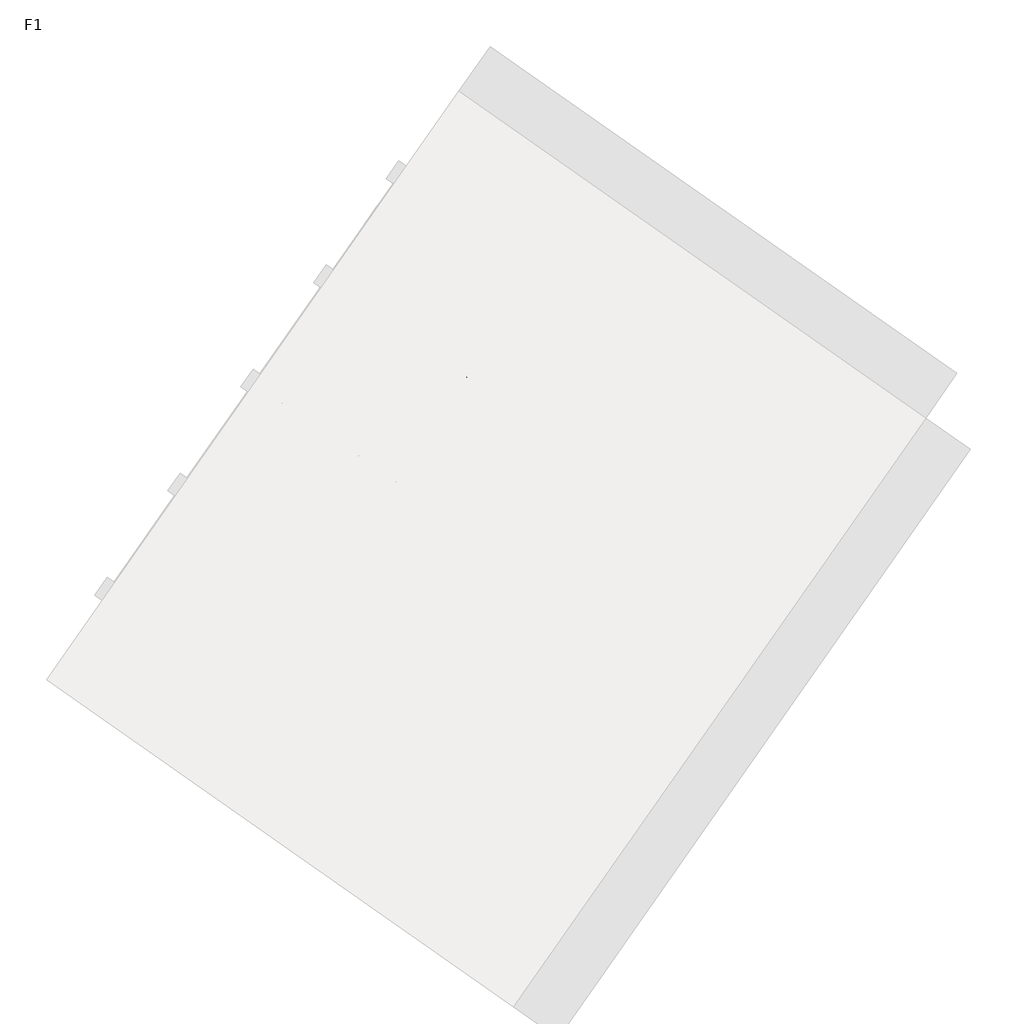
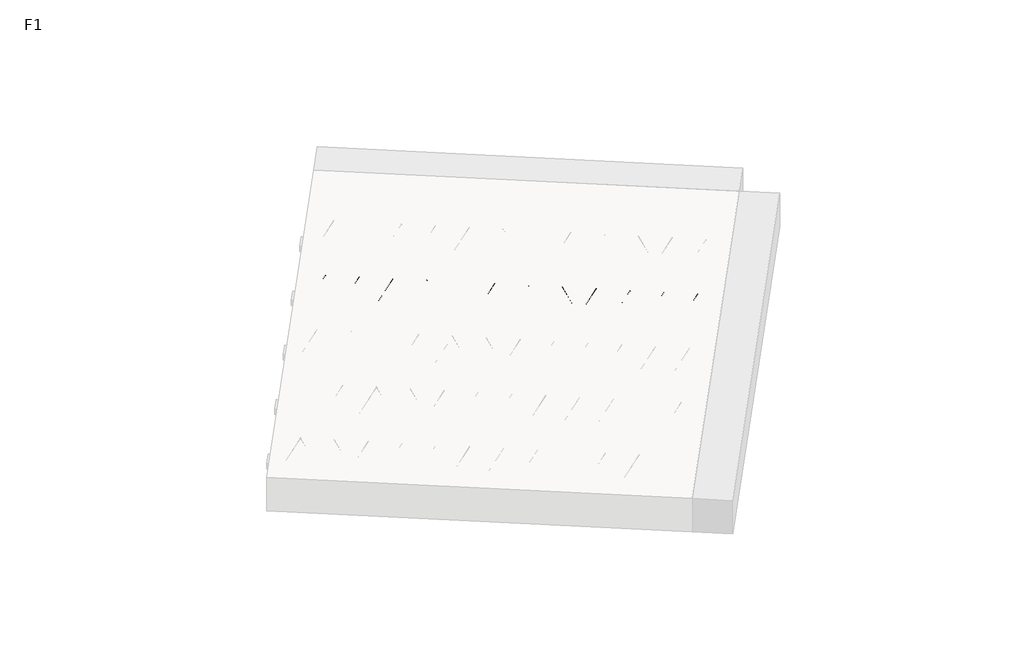
# One storey, part 25 of 30: 1 beam.
"""IFC4 building model written with IfcOpenShell, lengths in millimetres."""

from ifc_helpers import new_model, si_unit, point, frame, origin, origin_2d, place, context, project, spatial, circle_curve, trimmed, segment, composite_curve, outline, extrude, element, save

model = new_model("IFC4")

# Units and contexts
model_context = context("Model", 3, world=origin())
ifc_project = project(units=[si_unit("LENGTHUNIT", "METRE", prefix="MILLI")], contexts=[model_context])

# Site, building, storey
site = spatial("IfcSite", under=ifc_project)
building = spatial("IfcBuilding", under=site)
storey = spatial("IfcBuildingStorey", under=building, Name="F1", Elevation=99520.0)

# Beam
placement = place(None, origin())
element("IfcBeam", 1, at=placement, inside=storey, context=model_context, shape_type="SweptSolid", body=[
    extrude(outline(composite_curve([segment(trimmed(circle_curve(origin_2d(), 2.5), [point((-2.5, 0.0))], [point((2.5, 0.0))], False, "CARTESIAN"), True, "CONTINUOUS"), segment(trimmed(circle_curve(origin_2d(), 2.5), [point((2.5, 0.0))], [point((-2.5, 0.0))], False, "CARTESIAN"), True, "CONTINUOUS")], self_intersect=False)), frame((14296.2265453, 4656.4048192, 99745.0), z_axis=(-0.8191520442696126, 0.5735764363787226, 0.0), x_axis=(0.5735764363787226, 0.8191520442696126, 0.0)), (0.0, 0.0, 1.0), 3192.0),
    extrude(outline(composite_curve([segment(trimmed(circle_curve(origin_2d(), 2.5), [point((-2.5, 0.0))], [point((2.5, 0.0))], False, "CARTESIAN"), True, "CONTINUOUS"), segment(trimmed(circle_curve(origin_2d(), 2.5), [point((2.5, 0.0))], [point((-2.5, 0.0))], False, "CARTESIAN"), True, "CONTINUOUS")], self_intersect=False)), frame((14176.8002975, 4783.9758634, 99970.0), z_axis=(-0.8191520442696126, 0.5735764363787226, 0.0), x_axis=(0.5735764363787226, 0.8191520442696126, 0.0)), (0.0, 0.0, 1.0), 2850.0),
    extrude(outline(composite_curve([segment(trimmed(circle_curve(origin_2d(), 2.5), [point((-2.5, -1e-07))], [point((2.5, 0.0))], False, "CARTESIAN"), True, "CONTINUOUS"), segment(trimmed(circle_curve(origin_2d(), 2.5), [point((2.5, 0.0))], [point((-2.5, -1e-07))], False, "CARTESIAN"), True, "CONTINUOUS")], self_intersect=False)), frame((14217.5879491, 4711.4681571, 99745.0), z_axis=(-0.3145304735701046, 0.38933448886848654, 0.8657304643902053), x_axis=(0.7778747638402499, 0.6284193279813057, 0.0)), (0.0, 0.0, 1.0), 259.8961331),
    extrude(outline(composite_curve([segment(trimmed(circle_curve(origin_2d(), 2.5), [point((2.5000001, 0.0))], [point((-2.5, 0.0))], False, "CARTESIAN"), True, "CONTINUOUS"), segment(trimmed(circle_curve(origin_2d(), 2.5), [point((-2.5, 0.0))], [point((2.5000001, 0.0))], False, "CARTESIAN"), True, "CONTINUOUS")], self_intersect=False)), frame((14012.799938, 4854.8622662, 99745.0), z_axis=(0.47343050384693375, -0.16240172737369005, 0.8657304643902051), x_axis=(-0.3244721671091268, -0.9458952440791246, 0.0)), (0.0, 0.0, 1.0), 259.8961331),
    extrude(outline(composite_curve([segment(trimmed(circle_curve(origin_2d(), 2.5), [point((-2.5, -1e-07))], [point((2.5, 0.0))], False, "CARTESIAN"), True, "CONTINUOUS"), segment(trimmed(circle_curve(origin_2d(), 2.5), [point((2.5, 0.0))], [point((-2.5, -1e-07))], False, "CARTESIAN"), True, "CONTINUOUS")], self_intersect=False)), frame((14012.799938, 4854.8622662, 99745.0), z_axis=(-0.3145304735701046, 0.38933448886848654, 0.8657304643902053), x_axis=(0.7778747638402499, 0.6284193279813057, 0.0)), (0.0, 0.0, 1.0), 259.8961331),
    extrude(outline(composite_curve([segment(trimmed(circle_curve(origin_2d(), 2.5), [point((2.5, 0.0))], [point((-2.5000001, 0.0))], False, "CARTESIAN"), True, "CONTINUOUS"), segment(trimmed(circle_curve(origin_2d(), 2.5), [point((-2.5000001, 0.0))], [point((2.5, 0.0))], False, "CARTESIAN"), True, "CONTINUOUS")], self_intersect=False)), frame((13808.0119269, 4998.2563752, 99745.0), z_axis=(0.47343050384693375, -0.16240172737369005, 0.8657304643902051), x_axis=(-0.3244721671091268, -0.9458952440791246, 0.0)), (0.0, 0.0, 1.0), 259.8961331),
    extrude(outline(composite_curve([segment(trimmed(circle_curve(origin_2d(), 2.5), [point((-2.5, 0.0))], [point((2.5000001, 0.0))], False, "CARTESIAN"), True, "CONTINUOUS"), segment(trimmed(circle_curve(origin_2d(), 2.5), [point((2.5000001, 0.0))], [point((-2.5, 0.0))], False, "CARTESIAN"), True, "CONTINUOUS")], self_intersect=False)), frame((13808.0119269, 4998.2563752, 99745.0), z_axis=(-0.3145304735701046, 0.38933448886848654, 0.8657304643902053), x_axis=(0.7778747638402499, 0.6284193279813057, 0.0)), (0.0, 0.0, 1.0), 259.8961331),
    extrude(outline(composite_curve([segment(trimmed(circle_curve(origin_2d(), 2.5), [point((2.5, 0.0))], [point((-2.5000001, 0.0))], False, "CARTESIAN"), True, "CONTINUOUS"), segment(trimmed(circle_curve(origin_2d(), 2.5), [point((-2.5000001, 0.0))], [point((2.5, 0.0))], False, "CARTESIAN"), True, "CONTINUOUS")], self_intersect=False)), frame((13603.2239159, 5141.6504843, 99745.0), z_axis=(0.47343050384693375, -0.16240172737369005, 0.8657304643902051), x_axis=(-0.3244721671091268, -0.9458952440791246, 0.0)), (0.0, 0.0, 1.0), 259.8961331),
    extrude(outline(composite_curve([segment(trimmed(circle_curve(origin_2d(), 2.5), [point((-2.5, 0.0))], [point((2.5, 1e-07))], False, "CARTESIAN"), True, "CONTINUOUS"), segment(trimmed(circle_curve(origin_2d(), 2.5), [point((2.5, 1e-07))], [point((-2.5, 0.0))], False, "CARTESIAN"), True, "CONTINUOUS")], self_intersect=False)), frame((13603.2239159, 5141.6504843, 99745.0), z_axis=(-0.3145304735701046, 0.38933448886848654, 0.8657304643902053), x_axis=(0.7778747638402499, 0.6284193279813057, 0.0)), (0.0, 0.0, 1.0), 259.8961331),
    extrude(outline(composite_curve([segment(trimmed(circle_curve(origin_2d(), 2.5), [point((2.5, 0.0))], [point((-2.5, 0.0))], False, "CARTESIAN"), True, "CONTINUOUS"), segment(trimmed(circle_curve(origin_2d(), 2.5), [point((-2.5, 0.0))], [point((2.5, 0.0))], False, "CARTESIAN"), True, "CONTINUOUS")], self_intersect=False)), frame((13398.4359048, 5285.0445934, 99745.0), z_axis=(0.47343050384693375, -0.16240172737369005, 0.8657304643902051), x_axis=(-0.3244721671091268, -0.9458952440791246, 0.0)), (0.0, 0.0, 1.0), 259.8961331),
    extrude(outline(composite_curve([segment(trimmed(circle_curve(origin_2d(), 2.5), [point((-2.5, 0.0))], [point((2.5, 1e-07))], False, "CARTESIAN"), True, "CONTINUOUS"), segment(trimmed(circle_curve(origin_2d(), 2.5), [point((2.5, 1e-07))], [point((-2.5, 0.0))], False, "CARTESIAN"), True, "CONTINUOUS")], self_intersect=False)), frame((13398.4359048, 5285.0445934, 99745.0), z_axis=(-0.3145304735701046, 0.38933448886848654, 0.8657304643902053), x_axis=(0.7778747638402499, 0.6284193279813057, 0.0)), (0.0, 0.0, 1.0), 259.8961331),
    extrude(outline(composite_curve([segment(trimmed(circle_curve(origin_2d(), 2.5), [point((2.5, 0.0))], [point((-2.5, 1e-07))], False, "CARTESIAN"), True, "CONTINUOUS"), segment(trimmed(circle_curve(origin_2d(), 2.5), [point((-2.5, 1e-07))], [point((2.5, 0.0))], False, "CARTESIAN"), True, "CONTINUOUS")], self_intersect=False)), frame((13193.6478937, 5428.4387025, 99745.0), z_axis=(0.47343050384693375, -0.16240172737369005, 0.8657304643902051), x_axis=(-0.3244721671091268, -0.9458952440791246, 0.0)), (0.0, 0.0, 1.0), 259.8961331),
    extrude(outline(composite_curve([segment(trimmed(circle_curve(origin_2d(), 2.5), [point((-2.5, 0.0))], [point((2.5000001, 0.0))], False, "CARTESIAN"), True, "CONTINUOUS"), segment(trimmed(circle_curve(origin_2d(), 2.5), [point((2.5000001, 0.0))], [point((-2.5, 0.0))], False, "CARTESIAN"), True, "CONTINUOUS")], self_intersect=False)), frame((13193.6478937, 5428.4387025, 99745.0), z_axis=(-0.3145304735701046, 0.38933448886848654, 0.8657304643902053), x_axis=(0.7778747638402499, 0.6284193279813057, 0.0)), (0.0, 0.0, 1.0), 259.8961331),
    extrude(outline(composite_curve([segment(trimmed(circle_curve(origin_2d(), 2.5), [point((2.5, 0.0))], [point((-2.5, 0.0))], False, "CARTESIAN"), True, "CONTINUOUS"), segment(trimmed(circle_curve(origin_2d(), 2.5), [point((-2.5, 0.0))], [point((2.5, 0.0))], False, "CARTESIAN"), True, "CONTINUOUS")], self_intersect=False)), frame((12988.8598827, 5571.8328116, 99745.0), z_axis=(0.47343050384693375, -0.16240172737369005, 0.8657304643902051), x_axis=(-0.3244721671091268, -0.9458952440791246, 0.0)), (0.0, 0.0, 1.0), 259.8961331),
    extrude(outline(composite_curve([segment(trimmed(circle_curve(origin_2d(), 2.5), [point((-2.5, 0.0))], [point((2.5, 0.0))], False, "CARTESIAN"), True, "CONTINUOUS"), segment(trimmed(circle_curve(origin_2d(), 2.5), [point((2.5, 0.0))], [point((-2.5, 0.0))], False, "CARTESIAN"), True, "CONTINUOUS")], self_intersect=False)), frame((12988.8598827, 5571.8328116, 99745.0), z_axis=(-0.3145304735701046, 0.38933448886848654, 0.8657304643902053), x_axis=(0.7778747638402499, 0.6284193279813057, 0.0)), (0.0, 0.0, 1.0), 259.8961331),
    extrude(outline(composite_curve([segment(trimmed(circle_curve(origin_2d(), 2.5), [point((2.5, 0.0))], [point((-2.5, 0.0))], False, "CARTESIAN"), True, "CONTINUOUS"), segment(trimmed(circle_curve(origin_2d(), 2.5), [point((-2.5, 0.0))], [point((2.5, 0.0))], False, "CARTESIAN"), True, "CONTINUOUS")], self_intersect=False)), frame((12784.0718716, 5715.2269207, 99745.0), z_axis=(0.47343050384693375, -0.16240172737369005, 0.8657304643902051), x_axis=(-0.3244721671091268, -0.9458952440791246, 0.0)), (0.0, 0.0, 1.0), 259.8961331),
    extrude(outline(composite_curve([segment(trimmed(circle_curve(origin_2d(), 2.5), [point((-2.5, 0.0))], [point((2.5, 0.0))], False, "CARTESIAN"), True, "CONTINUOUS"), segment(trimmed(circle_curve(origin_2d(), 2.5), [point((2.5, 0.0))], [point((-2.5, 0.0))], False, "CARTESIAN"), True, "CONTINUOUS")], self_intersect=False)), frame((12784.0718716, 5715.2269207, 99745.0), z_axis=(-0.3145304735701046, 0.38933448886848654, 0.8657304643902053), x_axis=(0.7778747638402499, 0.6284193279813057, 0.0)), (0.0, 0.0, 1.0), 259.8961331),
    extrude(outline(composite_curve([segment(trimmed(circle_curve(origin_2d(), 2.5), [point((2.5, 0.0))], [point((-2.5, 1e-07))], False, "CARTESIAN"), True, "CONTINUOUS"), segment(trimmed(circle_curve(origin_2d(), 2.5), [point((-2.5, 1e-07))], [point((2.5, 0.0))], False, "CARTESIAN"), True, "CONTINUOUS")], self_intersect=False)), frame((12579.2838605, 5858.6210298, 99745.0), z_axis=(0.47343050384693375, -0.16240172737369005, 0.8657304643902051), x_axis=(-0.3244721671091268, -0.9458952440791246, 0.0)), (0.0, 0.0, 1.0), 259.8961331),
    extrude(outline(composite_curve([segment(trimmed(circle_curve(origin_2d(), 2.5), [point((-2.5, 0.0))], [point((2.5000001, -1e-07))], False, "CARTESIAN"), True, "CONTINUOUS"), segment(trimmed(circle_curve(origin_2d(), 2.5), [point((2.5000001, -1e-07))], [point((-2.5, 0.0))], False, "CARTESIAN"), True, "CONTINUOUS")], self_intersect=False)), frame((12579.2838605, 5858.6210298, 99745.0), z_axis=(-0.3145304735701046, 0.38933448886848654, 0.8657304643902053), x_axis=(0.7778747638402499, 0.6284193279813057, 0.0)), (0.0, 0.0, 1.0), 259.8961331),
    extrude(outline(composite_curve([segment(trimmed(circle_curve(origin_2d(), 2.5), [point((2.5, 0.0))], [point((-2.5, 0.0))], False, "CARTESIAN"), True, "CONTINUOUS"), segment(trimmed(circle_curve(origin_2d(), 2.5), [point((-2.5, 0.0))], [point((2.5, 0.0))], False, "CARTESIAN"), True, "CONTINUOUS")], self_intersect=False)), frame((12374.4958495, 6002.0151389, 99745.0), z_axis=(0.47343050384693375, -0.16240172737369005, 0.8657304643902051), x_axis=(-0.3244721671091268, -0.9458952440791246, 0.0)), (0.0, 0.0, 1.0), 259.8961331),
    extrude(outline(composite_curve([segment(trimmed(circle_curve(origin_2d(), 2.5), [point((-2.5, 0.0))], [point((2.5, 0.0))], False, "CARTESIAN"), True, "CONTINUOUS"), segment(trimmed(circle_curve(origin_2d(), 2.5), [point((2.5, 0.0))], [point((-2.5, 0.0))], False, "CARTESIAN"), True, "CONTINUOUS")], self_intersect=False)), frame((12374.4958495, 6002.0151389, 99745.0), z_axis=(-0.3145304735701046, 0.38933448886848654, 0.8657304643902053), x_axis=(0.7778747638402499, 0.6284193279813057, 0.0)), (0.0, 0.0, 1.0), 259.8961331),
    extrude(outline(composite_curve([segment(trimmed(circle_curve(origin_2d(), 2.5), [point((2.5, 0.0))], [point((-2.5, 0.0))], False, "CARTESIAN"), True, "CONTINUOUS"), segment(trimmed(circle_curve(origin_2d(), 2.5), [point((-2.5, 0.0))], [point((2.5, 0.0))], False, "CARTESIAN"), True, "CONTINUOUS")], self_intersect=False)), frame((12169.7078384, 6145.409248, 99745.0), z_axis=(0.47343050384693375, -0.16240172737369005, 0.8657304643902051), x_axis=(-0.3244721671091268, -0.9458952440791246, 0.0)), (0.0, 0.0, 1.0), 259.8961331),
    extrude(outline(composite_curve([segment(trimmed(circle_curve(origin_2d(), 2.5), [point((-2.5, 0.0))], [point((2.5, 0.0))], False, "CARTESIAN"), True, "CONTINUOUS"), segment(trimmed(circle_curve(origin_2d(), 2.5), [point((2.5, 0.0))], [point((-2.5, 0.0))], False, "CARTESIAN"), True, "CONTINUOUS")], self_intersect=False)), frame((12169.7078384, 6145.409248, 99745.0), z_axis=(-0.3145304735701046, 0.38933448886848654, 0.8657304643902053), x_axis=(0.7778747638402499, 0.6284193279813057, 0.0)), (0.0, 0.0, 1.0), 259.8961331),
    extrude(outline(composite_curve([segment(trimmed(circle_curve(origin_2d(), 2.5), [point((2.5, 0.0))], [point((-2.5, 1e-07))], False, "CARTESIAN"), True, "CONTINUOUS"), segment(trimmed(circle_curve(origin_2d(), 2.5), [point((-2.5, 1e-07))], [point((2.5, 0.0))], False, "CARTESIAN"), True, "CONTINUOUS")], self_intersect=False)), frame((11964.9198273, 6288.8033571, 99745.0), z_axis=(0.47343050384693375, -0.16240172737369005, 0.8657304643902051), x_axis=(-0.3244721671091268, -0.9458952440791246, 0.0)), (0.0, 0.0, 1.0), 259.8961331),
    extrude(outline(composite_curve([segment(trimmed(circle_curve(origin_2d(), 2.5), [point((-2.5, 0.0))], [point((2.5000001, -1e-07))], False, "CARTESIAN"), True, "CONTINUOUS"), segment(trimmed(circle_curve(origin_2d(), 2.5), [point((2.5000001, -1e-07))], [point((-2.5, 0.0))], False, "CARTESIAN"), True, "CONTINUOUS")], self_intersect=False)), frame((11964.9198273, 6288.8033571, 99745.0), z_axis=(-0.3145304735701046, 0.38933448886848654, 0.8657304643902053), x_axis=(0.7778747638402499, 0.6284193279813057, 0.0)), (0.0, 0.0, 1.0), 259.8961331),
    extrude(outline(composite_curve([segment(trimmed(circle_curve(origin_2d(), 2.5), [point((2.5, 0.0))], [point((-2.5, 0.0))], False, "CARTESIAN"), True, "CONTINUOUS"), segment(trimmed(circle_curve(origin_2d(), 2.5), [point((-2.5, 0.0))], [point((2.5, 0.0))], False, "CARTESIAN"), True, "CONTINUOUS")], self_intersect=False)), frame((11760.1318163, 6432.1974662, 99745.0), z_axis=(0.47343050384693375, -0.16240172737369005, 0.8657304643902051), x_axis=(-0.3244721671091268, -0.9458952440791246, 0.0)), (0.0, 0.0, 1.0), 259.8961331),
    extrude(outline(composite_curve([segment(trimmed(circle_curve(origin_2d(), 2.5), [point((-2.5000001, 0.0))], [point((2.4999999, 0.0))], False, "CARTESIAN"), True, "CONTINUOUS"), segment(trimmed(circle_curve(origin_2d(), 2.5), [point((2.4999999, 0.0))], [point((-2.5000001, 0.0))], False, "CARTESIAN"), True, "CONTINUOUS")], self_intersect=False)), frame((14337.5240488, 4715.3837664, 99745.0), z_axis=(-0.8191520442696126, 0.5735764363787226, 0.0), x_axis=(0.5735764363787226, 0.8191520442696126, 0.0)), (0.0, 0.0, 1.0), 3192.0),
    extrude(outline(composite_curve([segment(trimmed(circle_curve(origin_2d(), 2.5), [point((-2.5, 0.0))], [point((2.5000001, 0.0))], False, "CARTESIAN"), True, "CONTINUOUS"), segment(trimmed(circle_curve(origin_2d(), 2.5), [point((2.5000001, 0.0))], [point((-2.5, 0.0))], False, "CARTESIAN"), True, "CONTINUOUS")], self_intersect=False)), frame((14258.8854525, 4770.4471042, 99745.0), z_axis=(-0.47343050384693375, 0.16240172737369005, 0.8657304643902051), x_axis=(0.3244721671091268, 0.9458952440791246, 0.0)), (0.0, 0.0, 1.0), 259.8961331),
    extrude(outline(composite_curve([segment(trimmed(circle_curve(origin_2d(), 2.5), [point((2.5, 0.0))], [point((-2.5, -1e-07))], False, "CARTESIAN"), True, "CONTINUOUS"), segment(trimmed(circle_curve(origin_2d(), 2.5), [point((-2.5, -1e-07))], [point((2.5, 0.0))], False, "CARTESIAN"), True, "CONTINUOUS")], self_intersect=False)), frame((14054.0974414, 4913.8412133, 99745.0), z_axis=(0.3145304735701046, -0.38933448886848654, 0.8657304643902053), x_axis=(-0.7778747638402499, -0.6284193279813057, 0.0)), (0.0, 0.0, 1.0), 259.8961331),
    extrude(outline(composite_curve([segment(trimmed(circle_curve(origin_2d(), 2.5), [point((-2.5, 0.0))], [point((2.5000001, 0.0))], False, "CARTESIAN"), True, "CONTINUOUS"), segment(trimmed(circle_curve(origin_2d(), 2.5), [point((2.5000001, 0.0))], [point((-2.5, 0.0))], False, "CARTESIAN"), True, "CONTINUOUS")], self_intersect=False)), frame((14054.0974414, 4913.8412133, 99745.0), z_axis=(-0.47343050384693375, 0.16240172737369005, 0.8657304643902051), x_axis=(0.3244721671091268, 0.9458952440791246, 0.0)), (0.0, 0.0, 1.0), 259.8961331),
    extrude(outline(composite_curve([segment(trimmed(circle_curve(origin_2d(), 2.5), [point((2.5, 0.0))], [point((-2.5, -1e-07))], False, "CARTESIAN"), True, "CONTINUOUS"), segment(trimmed(circle_curve(origin_2d(), 2.5), [point((-2.5, -1e-07))], [point((2.5, 0.0))], False, "CARTESIAN"), True, "CONTINUOUS")], self_intersect=False)), frame((13849.3094304, 5057.2353224, 99745.0), z_axis=(0.3145304735701046, -0.38933448886848654, 0.8657304643902053), x_axis=(-0.7778747638402499, -0.6284193279813057, 0.0)), (0.0, 0.0, 1.0), 259.8961331),
    extrude(outline(composite_curve([segment(trimmed(circle_curve(origin_2d(), 2.5), [point((-2.5, 1e-07))], [point((2.5, 0.0))], False, "CARTESIAN"), True, "CONTINUOUS"), segment(trimmed(circle_curve(origin_2d(), 2.5), [point((2.5, 0.0))], [point((-2.5, 1e-07))], False, "CARTESIAN"), True, "CONTINUOUS")], self_intersect=False)), frame((13849.3094304, 5057.2353224, 99745.0), z_axis=(-0.47343050384693375, 0.16240172737369005, 0.8657304643902051), x_axis=(0.3244721671091268, 0.9458952440791246, 0.0)), (0.0, 0.0, 1.0), 259.8961331),
    extrude(outline(composite_curve([segment(trimmed(circle_curve(origin_2d(), 2.5), [point((2.5, 0.0))], [point((-2.5, 0.0))], False, "CARTESIAN"), True, "CONTINUOUS"), segment(trimmed(circle_curve(origin_2d(), 2.5), [point((-2.5, 0.0))], [point((2.5, 0.0))], False, "CARTESIAN"), True, "CONTINUOUS")], self_intersect=False)), frame((13644.5214193, 5200.6294315, 99745.0), z_axis=(0.3145304735701046, -0.38933448886848654, 0.8657304643902053), x_axis=(-0.7778747638402499, -0.6284193279813057, 0.0)), (0.0, 0.0, 1.0), 259.8961331),
    extrude(outline(composite_curve([segment(trimmed(circle_curve(origin_2d(), 2.5), [point((-2.5, 0.0))], [point((2.5, 0.0))], False, "CARTESIAN"), True, "CONTINUOUS"), segment(trimmed(circle_curve(origin_2d(), 2.5), [point((2.5, 0.0))], [point((-2.5, 0.0))], False, "CARTESIAN"), True, "CONTINUOUS")], self_intersect=False)), frame((13644.5214193, 5200.6294315, 99745.0), z_axis=(-0.47343050384693375, 0.16240172737369005, 0.8657304643902051), x_axis=(0.3244721671091268, 0.9458952440791246, 0.0)), (0.0, 0.0, 1.0), 259.8961331),
    extrude(outline(composite_curve([segment(trimmed(circle_curve(origin_2d(), 2.5), [point((2.5, 0.0))], [point((-2.5, 0.0))], False, "CARTESIAN"), True, "CONTINUOUS"), segment(trimmed(circle_curve(origin_2d(), 2.5), [point((-2.5, 0.0))], [point((2.5, 0.0))], False, "CARTESIAN"), True, "CONTINUOUS")], self_intersect=False)), frame((13439.7334082, 5344.0235406, 99745.0), z_axis=(0.3145304735701046, -0.38933448886848654, 0.8657304643902053), x_axis=(-0.7778747638402499, -0.6284193279813057, 0.0)), (0.0, 0.0, 1.0), 259.8961331),
    extrude(outline(composite_curve([segment(trimmed(circle_curve(origin_2d(), 2.5), [point((-2.5, 0.0))], [point((2.5, -1e-07))], False, "CARTESIAN"), True, "CONTINUOUS"), segment(trimmed(circle_curve(origin_2d(), 2.5), [point((2.5, -1e-07))], [point((-2.5, 0.0))], False, "CARTESIAN"), True, "CONTINUOUS")], self_intersect=False)), frame((13439.7334082, 5344.0235406, 99745.0), z_axis=(-0.47343050384693375, 0.16240172737369005, 0.8657304643902051), x_axis=(0.3244721671091268, 0.9458952440791246, 0.0)), (0.0, 0.0, 1.0), 259.8961331),
    extrude(outline(composite_curve([segment(trimmed(circle_curve(origin_2d(), 2.5), [point((2.5, 0.0))], [point((-2.5, 0.0))], False, "CARTESIAN"), True, "CONTINUOUS"), segment(trimmed(circle_curve(origin_2d(), 2.5), [point((-2.5, 0.0))], [point((2.5, 0.0))], False, "CARTESIAN"), True, "CONTINUOUS")], self_intersect=False)), frame((13234.9453972, 5487.4176497, 99745.0), z_axis=(0.3145304735701046, -0.38933448886848654, 0.8657304643902053), x_axis=(-0.7778747638402499, -0.6284193279813057, 0.0)), (0.0, 0.0, 1.0), 259.8961331),
    extrude(outline(composite_curve([segment(trimmed(circle_curve(origin_2d(), 2.5), [point((-2.5, 1e-07))], [point((2.5, 0.0))], False, "CARTESIAN"), True, "CONTINUOUS"), segment(trimmed(circle_curve(origin_2d(), 2.5), [point((2.5, 0.0))], [point((-2.5, 1e-07))], False, "CARTESIAN"), True, "CONTINUOUS")], self_intersect=False)), frame((13234.9453972, 5487.4176497, 99745.0), z_axis=(-0.47343050384693375, 0.16240172737369005, 0.8657304643902051), x_axis=(0.3244721671091268, 0.9458952440791246, 0.0)), (0.0, 0.0, 1.0), 259.8961331),
    extrude(outline(composite_curve([segment(trimmed(circle_curve(origin_2d(), 2.5), [point((2.5, 0.0))], [point((-2.5, 0.0))], False, "CARTESIAN"), True, "CONTINUOUS"), segment(trimmed(circle_curve(origin_2d(), 2.5), [point((-2.5, 0.0))], [point((2.5, 0.0))], False, "CARTESIAN"), True, "CONTINUOUS")], self_intersect=False)), frame((13030.1573861, 5630.8117588, 99745.0), z_axis=(0.3145304735701046, -0.38933448886848654, 0.8657304643902053), x_axis=(-0.7778747638402499, -0.6284193279813057, 0.0)), (0.0, 0.0, 1.0), 259.8961331),
    extrude(outline(composite_curve([segment(trimmed(circle_curve(origin_2d(), 2.5), [point((-2.5, 0.0))], [point((2.5, 0.0))], False, "CARTESIAN"), True, "CONTINUOUS"), segment(trimmed(circle_curve(origin_2d(), 2.5), [point((2.5, 0.0))], [point((-2.5, 0.0))], False, "CARTESIAN"), True, "CONTINUOUS")], self_intersect=False)), frame((13030.1573861, 5630.8117588, 99745.0), z_axis=(-0.47343050384693375, 0.16240172737369005, 0.8657304643902051), x_axis=(0.3244721671091268, 0.9458952440791246, 0.0)), (0.0, 0.0, 1.0), 259.8961331),
    extrude(outline(composite_curve([segment(trimmed(circle_curve(origin_2d(), 2.5), [point((2.5, 0.0))], [point((-2.5, 0.0))], False, "CARTESIAN"), True, "CONTINUOUS"), segment(trimmed(circle_curve(origin_2d(), 2.5), [point((-2.5, 0.0))], [point((2.5, 0.0))], False, "CARTESIAN"), True, "CONTINUOUS")], self_intersect=False)), frame((12825.369375, 5774.2058679, 99745.0), z_axis=(0.3145304735701046, -0.38933448886848654, 0.8657304643902053), x_axis=(-0.7778747638402499, -0.6284193279813057, 0.0)), (0.0, 0.0, 1.0), 259.8961331),
    extrude(outline(composite_curve([segment(trimmed(circle_curve(origin_2d(), 2.5), [point((-2.5, 0.0))], [point((2.5, 0.0))], False, "CARTESIAN"), True, "CONTINUOUS"), segment(trimmed(circle_curve(origin_2d(), 2.5), [point((2.5, 0.0))], [point((-2.5, 0.0))], False, "CARTESIAN"), True, "CONTINUOUS")], self_intersect=False)), frame((12825.369375, 5774.2058679, 99745.0), z_axis=(-0.47343050384693375, 0.16240172737369005, 0.8657304643902051), x_axis=(0.3244721671091268, 0.9458952440791246, 0.0)), (0.0, 0.0, 1.0), 259.8961331),
    extrude(outline(composite_curve([segment(trimmed(circle_curve(origin_2d(), 2.5), [point((2.5, 0.0))], [point((-2.5, 0.0))], False, "CARTESIAN"), True, "CONTINUOUS"), segment(trimmed(circle_curve(origin_2d(), 2.5), [point((-2.5, 0.0))], [point((2.5, 0.0))], False, "CARTESIAN"), True, "CONTINUOUS")], self_intersect=False)), frame((12620.581364, 5917.599977, 99745.0), z_axis=(0.3145304735701046, -0.38933448886848654, 0.8657304643902053), x_axis=(-0.7778747638402499, -0.6284193279813057, 0.0)), (0.0, 0.0, 1.0), 259.8961331),
    extrude(outline(composite_curve([segment(trimmed(circle_curve(origin_2d(), 2.5), [point((-2.5, 1e-07))], [point((2.5, 0.0))], False, "CARTESIAN"), True, "CONTINUOUS"), segment(trimmed(circle_curve(origin_2d(), 2.5), [point((2.5, 0.0))], [point((-2.5, 1e-07))], False, "CARTESIAN"), True, "CONTINUOUS")], self_intersect=False)), frame((12620.581364, 5917.599977, 99745.0), z_axis=(-0.47343050384693375, 0.16240172737369005, 0.8657304643902051), x_axis=(0.3244721671091268, 0.9458952440791246, 0.0)), (0.0, 0.0, 1.0), 259.8961331),
    extrude(outline(composite_curve([segment(trimmed(circle_curve(origin_2d(), 2.5), [point((2.5, 0.0))], [point((-2.5, 0.0))], False, "CARTESIAN"), True, "CONTINUOUS"), segment(trimmed(circle_curve(origin_2d(), 2.5), [point((-2.5, 0.0))], [point((2.5, 0.0))], False, "CARTESIAN"), True, "CONTINUOUS")], self_intersect=False)), frame((12415.7933529, 6060.9940861, 99745.0), z_axis=(0.3145304735701046, -0.38933448886848654, 0.8657304643902053), x_axis=(-0.7778747638402499, -0.6284193279813057, 0.0)), (0.0, 0.0, 1.0), 259.8961331),
    extrude(outline(composite_curve([segment(trimmed(circle_curve(origin_2d(), 2.5), [point((-2.5, 0.0))], [point((2.5, 0.0))], False, "CARTESIAN"), True, "CONTINUOUS"), segment(trimmed(circle_curve(origin_2d(), 2.5), [point((2.5, 0.0))], [point((-2.5, 0.0))], False, "CARTESIAN"), True, "CONTINUOUS")], self_intersect=False)), frame((12415.7933529, 6060.9940861, 99745.0), z_axis=(-0.47343050384693375, 0.16240172737369005, 0.8657304643902051), x_axis=(0.3244721671091268, 0.9458952440791246, 0.0)), (0.0, 0.0, 1.0), 259.8961331),
    extrude(outline(composite_curve([segment(trimmed(circle_curve(origin_2d(), 2.5), [point((2.5, 0.0))], [point((-2.5, 0.0))], False, "CARTESIAN"), True, "CONTINUOUS"), segment(trimmed(circle_curve(origin_2d(), 2.5), [point((-2.5, 0.0))], [point((2.5, 0.0))], False, "CARTESIAN"), True, "CONTINUOUS")], self_intersect=False)), frame((12211.0053418, 6204.3881952, 99745.0), z_axis=(0.3145304735701046, -0.38933448886848654, 0.8657304643902053), x_axis=(-0.7778747638402499, -0.6284193279813057, 0.0)), (0.0, 0.0, 1.0), 259.8961331),
    extrude(outline(composite_curve([segment(trimmed(circle_curve(origin_2d(), 2.5), [point((-2.5, 0.0))], [point((2.5, 0.0))], False, "CARTESIAN"), True, "CONTINUOUS"), segment(trimmed(circle_curve(origin_2d(), 2.5), [point((2.5, 0.0))], [point((-2.5, 0.0))], False, "CARTESIAN"), True, "CONTINUOUS")], self_intersect=False)), frame((12211.0053418, 6204.3881952, 99745.0), z_axis=(-0.47343050384693375, 0.16240172737369005, 0.8657304643902051), x_axis=(0.3244721671091268, 0.9458952440791246, 0.0)), (0.0, 0.0, 1.0), 259.8961331),
    extrude(outline(composite_curve([segment(trimmed(circle_curve(origin_2d(), 2.5), [point((2.5, 0.0))], [point((-2.5, 0.0))], False, "CARTESIAN"), True, "CONTINUOUS"), segment(trimmed(circle_curve(origin_2d(), 2.5), [point((-2.5, 0.0))], [point((2.5, 0.0))], False, "CARTESIAN"), True, "CONTINUOUS")], self_intersect=False)), frame((12006.2173308, 6347.7823043, 99745.0), z_axis=(0.3145304735701046, -0.38933448886848654, 0.8657304643902053), x_axis=(-0.7778747638402499, -0.6284193279813057, 0.0)), (0.0, 0.0, 1.0), 259.8961331),
    extrude(outline(composite_curve([segment(trimmed(circle_curve(origin_2d(), 2.5), [point((-2.5, 1e-07))], [point((2.5, 0.0))], False, "CARTESIAN"), True, "CONTINUOUS"), segment(trimmed(circle_curve(origin_2d(), 2.5), [point((2.5, 0.0))], [point((-2.5, 1e-07))], False, "CARTESIAN"), True, "CONTINUOUS")], self_intersect=False)), frame((12006.2173308, 6347.7823043, 99745.0), z_axis=(-0.47343050384693375, 0.16240172737369005, 0.8657304643902051), x_axis=(0.3244721671091268, 0.9458952440791246, 0.0)), (0.0, 0.0, 1.0), 259.8961331),
    extrude(outline(composite_curve([segment(trimmed(circle_curve(origin_2d(), 2.5), [point((2.5, 0.0))], [point((-2.5, 0.0))], False, "CARTESIAN"), True, "CONTINUOUS"), segment(trimmed(circle_curve(origin_2d(), 2.5), [point((-2.5, 0.0))], [point((2.5, 0.0))], False, "CARTESIAN"), True, "CONTINUOUS")], self_intersect=False)), frame((11801.4293197, 6491.1764134, 99745.0), z_axis=(0.3145304735701046, -0.38933448886848654, 0.8657304643902053), x_axis=(-0.7778747638402499, -0.6284193279813057, 0.0)), (0.0, 0.0, 1.0), 259.8961331),
])

save(model, "model.ifc")
